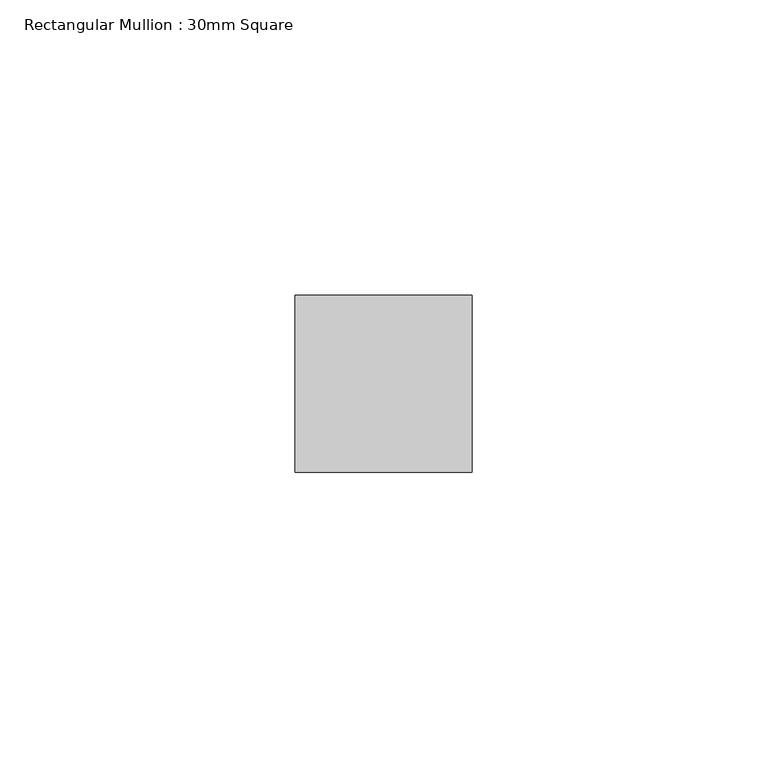
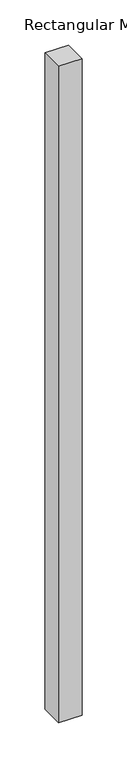
"""IFC4 building model written with IfcOpenShell, lengths in millimetres: member geometry, Rectangular Mullion : 30mm Square."""

from ifc_helpers import new_model, si_unit, frame, origin, place, context, project, spatial, polyline, outline, extrude, source, transform, mapped, element, save


def rectangular_mullion_30mm_square_52ea75f0(model_context):
    return source(origin(), model_context, "Body", "SweptSolid", [
        extrude(outline(polyline([(0.0, 15.0), (0.0, -15.0), (-30.0, -15.0), (-30.0, 15.0), (0.0, 15.0)])), frame((0.0, 0.0, -888.3805562), z_axis=(0.0, 0.0, 1.0), x_axis=(1.0, 0.0, 0.0)), (0.0, 0.0, 1.0), 888.3805562),
    ])


if __name__ == "__main__":
    model = new_model("IFC4")
    model_context = context("Model", 3, world=origin())
    ifc_project = project(units=[si_unit("LENGTHUNIT", "METRE", prefix="MILLI")], contexts=[model_context])
    site = spatial("IfcSite", under=ifc_project)
    building = spatial("IfcBuilding", under=site)
    placement = place(None, origin())
    rectangular_mullion_30mm_square_shape = rectangular_mullion_30mm_square_52ea75f0(model_context)
    element("IfcMember", 1, ObjectType="Rectangular Mullion : 30mm Square", at=placement, inside=building, context=model_context, shape_type="MappedRepresentation", body=[
        mapped(rectangular_mullion_30mm_square_shape, transform((0.0, 0.0, 0.0), x_axis=(1.0, 0.0, 0.0), y_axis=(0.0, 1.0, 0.0), z_axis=(0.0, 0.0, 1.0))),
    ])
    save(model, "model.ifc")
